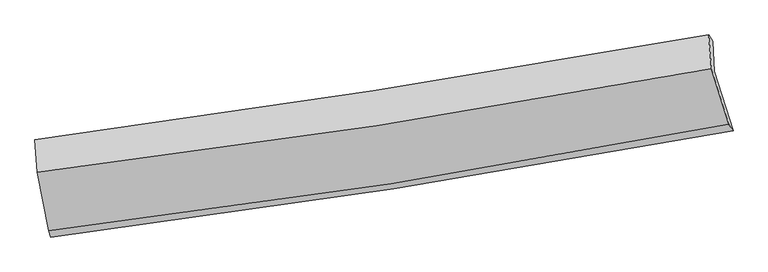
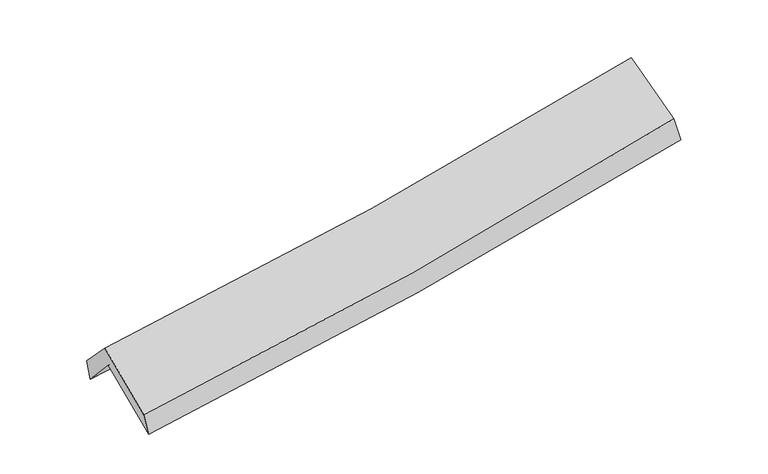
"""IFC4 building model written with IfcOpenShell, lengths in millimetres: proxy geometry."""

from ifc_helpers import new_model, si_unit, frame, origin, place, context, project, spatial, source, transform, mapped, element, save
from ifc_brep_helpers import plane_surface, spline_curve, spline_surface, advanced_brep


def generic_models_98ded858(model_context):
    return source(origin(), model_context, "Body", "AdvancedBrep", [
        advanced_brep(
        [(-2750.4606784, -2521.7720718, 1455.5610835), (-2848.8252199, -2016.3331725, 1889.0035901), (2774.1817061, -1140.3064016, 2385.8787259), (2930.5058814, -1637.1677033, 1956.557635), (-2867.7811095, -1742.8597551, 1588.6524775), (2760.1101673, -891.771107, 2077.3979769), (-2883.5758642, -1711.768318, 1767.4152885), (2727.4473845, -838.4556701, 2253.1122922), (-2863.9147111, -1982.1238256, 2049.9596027), (2750.1133937, -1120.3832962, 2548.3375269), (-2768.8906885, -2470.3977164, 1631.237064), (2895.7244177, -1583.1938806, 2148.4385123)],
        [
            (0, 1),
            (1, 2, spline_curve(3, [(-2848.8252199, -2016.3331725, 1889.0035901), (-1903.149516773, -1896.803416511, 1939.153814212), (-961.031802779, -1763.907080326, 2005.721688429), (913.282603919, -1471.818379409, 2171.444721168), (1845.500531741, -1312.705791862, 2270.50189201), (2774.1817061, -1140.3064016, 2385.8787259)], [4, 2, 4], [0.0, 9.435527933180392, 18.842856203522793])),
            (2, 3),
            (3, 0, spline_curve(3, [(2930.5058814, -1637.1677033, 1956.557635), (1991.377876209, -1811.138004495, 1849.147969962), (1049.113192251, -1971.749884869, 1753.73792096), (-844.523494465, -2266.698214702, 1586.667021659), (-1795.914330381, -2400.954457144, 1515.078220386), (-2750.4606784, -2521.7720718, 1455.5610835)], [4, 2, 4], [0.0, 9.4073282703424, 18.842856203522793])),
            (1, 4),
            (4, 5, spline_curve(3, [(-2867.7811095, -1742.8597551, 1588.6524775), (-1921.48437918, -1626.579095506, 1633.892035918), (-978.648367543, -1497.389278127, 1697.328752959), (897.294736424, -1213.616015169, 1860.352527268), (1830.422483843, -1059.109616197, 1959.830976744), (2760.1101673, -891.771107, 2077.3979769)], [4, 2, 4], [0.0, 9.388105132138506, 18.748152332459235])),
            (5, 2),
            (4, 6),
            (6, 7, spline_curve(3, [(-2883.5758642, -1711.768318, 1767.4152885), (-1941.355143505, -1584.591574577, 1815.067254292), (-1001.963966219, -1448.104321379, 1879.453567682), (868.360228793, -1156.944536567, 2041.452446374), (1799.310134598, -1002.327573844, 2138.965134229), (2727.4473845, -838.4556701, 2253.1122922)], [4, 2, 4], [0.0, 9.377008553529766, 18.725992339234022])),
            (7, 5),
            (6, 8),
            (8, 9, spline_curve(3, [(-2863.9147111, -1982.1238256, 2049.9596027), (-1920.368726575, -1867.804538793, 2111.130708871), (-980.06475453, -1738.703624775, 2183.326384905), (891.258597195, -1451.36855881, 2349.518158788), (1822.297326859, -1293.222629672, 2443.448457446), (2750.1133937, -1120.3832962, 2548.3375269)], [4, 2, 4], [0.0, 9.367246203272677, 18.70649681514619])),
            (9, 7),
            (8, 10),
            (10, 11, spline_curve(3, [(-2768.8906885, -2470.3977164, 1631.237064), (-1815.418682529, -2356.372531309, 1691.620663948), (-865.930916267, -2225.290149689, 1764.996501979), (1022.250339291, -1929.453733566, 1937.474527495), (1960.967608685, -1764.801503231, 2036.499172616), (2895.7244177, -1583.1938806, 2148.4385123)], [4, 2, 4], [0.0, 9.414962521024597, 18.80178684240574])),
            (11, 9),
            (10, 0),
            (3, 11),
        ],
        [
            spline_surface(3, 3, [[(-2750.4606784, -2521.7720718, 1455.5610835), (-1795.914330304, -2400.954457282, 1515.078220259), (-844.523494378, -2266.698214792, 1586.667021772), (1049.113192165, -1971.74988478, 1753.737920848), (1991.377876207, -1811.138004462, 1849.147969835), (2930.5058814, -1637.1677033, 1956.557635)], [(-2783.248858891, -2353.292438683, 1600.041919029), (-1831.659392457, -2232.904110302, 1656.436751598), (-883.359597132, -2099.101169951, 1726.351910698), (1003.836329385, -1805.106049679, 1892.973520894), (1942.752094717, -1644.993933623, 1989.599277215), (2878.397822977, -1471.54726939, 2099.664665291)], [(-2816.037039409, -2184.812805617, 1744.522754571), (-1867.404454638, -2064.853763373, 1797.795282949), (-922.195699909, -1931.504125104, 1866.036799654), (958.559466583, -1638.462214571, 2032.209120971), (1894.126313197, -1478.849862816, 2130.050584621), (2826.289764523, -1305.92683551, 2242.771695609)], [(-2848.8252199, -2016.3331725, 1889.0035901), (-1903.149516792, -1896.803416393, 1939.153814288), (-961.031802663, -1763.907080264, 2005.72168858), (913.282603803, -1471.818379471, 2171.444721017), (1845.500531708, -1312.705791977, 2270.501892001), (2774.1817061, -1140.3064016, 2385.8787259)]], [4, 4], [4, 2, 4], [0.0, 2.182000382750803], [0.0, 9.435527933180392, 18.842856203522793]),
            spline_surface(3, 3, [[(-2848.8252199, -2016.3331725, 1889.0035901), (-1903.149516792, -1896.803416393, 1939.153814288), (-961.031802663, -1763.907080264, 2005.72168858), (913.282603803, -1471.818379471, 2171.444721017), (1845.500531708, -1312.705791977, 2270.501892001), (2774.1817061, -1140.3064016, 2385.8787259)], [(-2855.143849771, -1925.175366697, 1788.886552565), (-1909.261137546, -1806.728642753, 1837.399888154), (-966.903990946, -1675.067812899, 1902.924043346), (907.953314684, -1385.750924668, 2067.747323121), (1840.474515765, -1228.173733435, 2166.944920268), (2769.491193174, -1057.461303403, 2283.051809553)], [(-2861.462479629, -1834.017560903, 1688.769515035), (-1915.372758287, -1716.653869122, 1735.645962026), (-972.776179255, -1586.228545566, 1800.126398123), (902.624025539, -1299.683469897, 1964.049925236), (1835.448499802, -1143.641674884, 2063.387948575), (2764.800680226, -974.616205197, 2180.224893247)], [(-2867.7811095, -1742.8597551, 1588.6524775), (-1921.484379042, -1626.579095482, 1633.892035892), (-978.648367539, -1497.389278201, 1697.328752888), (897.294736419, -1213.616015095, 1860.352527339), (1830.42248386, -1059.109616342, 1959.830976842), (2760.1101673, -891.771107, 2077.3979769)]], [4, 4], [4, 2, 4], [0.0, 1.332924476174504], [0.0, 9.388105132138506, 18.748152332459235]),
            spline_surface(3, 3, [[(-2867.7811095, -1742.8597551, 1588.6524775), (-1921.484379042, -1626.579095482, 1633.892035892), (-978.648367539, -1497.389278201, 1697.328752888), (897.294736419, -1213.616015095, 1860.352527339), (1830.42248386, -1059.109616342, 1959.830976842), (2760.1101673, -891.771107, 2077.3979769)], [(-2873.04602774, -1732.495942753, 1648.240081177), (-1928.107967165, -1612.583255199, 1694.283775411), (-986.420233771, -1480.960959266, 1758.037024518), (887.64990055, -1194.725522239, 1920.719167007), (1820.051700761, -1040.182268822, 2019.542362651), (2749.222573042, -873.999294705, 2135.969415337)], [(-2878.31094596, -1722.132130347, 1707.827684823), (-1934.731555269, -1598.587414856, 1754.6755149), (-994.192100006, -1464.532640343, 1818.745296116), (878.00506468, -1175.835029395, 1981.085806642), (1809.680917636, -1021.254921287, 2079.253748451), (2738.334978758, -856.227482395, 2194.540853763)], [(-2883.5758642, -1711.768318, 1767.4152885), (-1941.355143393, -1584.591574573, 1815.067254419), (-1001.963966238, -1448.104321408, 1879.453567747), (868.360228811, -1156.944536539, 2041.45244631), (1799.310134537, -1002.327573767, 2138.96513426), (2727.4473845, -838.4556701, 2253.1122922)]], [4, 4], [4, 2, 4], [0.0, 0.6265562641799735], [0.0, 9.377008553529766, 18.725992339234022]),
            spline_surface(3, 3, [[(-2883.5758642, -1711.768318, 1767.4152885), (-1941.355143393, -1584.591574573, 1815.067254419), (-1001.963966238, -1448.104321408, 1879.453567747), (868.360228811, -1156.944536539, 2041.45244631), (1799.310134537, -1002.327573767, 2138.96513426), (2727.4473845, -838.4556701, 2253.1122922)], [(-2877.022146498, -1801.88682052, 1861.596726565), (-1934.359671164, -1678.995895974, 1913.755072584), (-994.664229061, -1544.97075583, 1980.744506815), (875.993018294, -1255.085877299, 2144.141017132), (1806.97253197, -1099.292592457, 2240.459575356), (2735.0027209, -932.431545474, 2351.520703791)], [(-2870.468428802, -1892.00532308, 1955.778164635), (-1927.364198942, -1773.400217416, 2012.442890756), (-987.364491828, -1641.837190298, 2082.035445865), (883.625807833, -1353.227218104, 2246.829587937), (1814.634929405, -1196.257611124, 2341.954016379), (2742.5580573, -1026.407420826, 2449.929115309)], [(-2863.9147111, -1982.1238256, 2049.9596027), (-1920.368726713, -1867.804538817, 2111.130708921), (-980.064754651, -1738.703624721, 2183.326384933), (891.258597316, -1451.368558864, 2349.51815876), (1822.297326838, -1293.222629814, 2443.448457475), (2750.1133937, -1120.3832962, 2548.3375269)]], [4, 4], [4, 2, 4], [0.0, 1.3906840201718114], [0.0, 9.367246203272677, 18.70649681514619]),
            spline_surface(3, 3, [[(-2863.9147111, -1982.1238256, 2049.9596027), (-1920.368726713, -1867.804538817, 2111.130708921), (-980.064754651, -1738.703624721, 2183.326384933), (891.258597316, -1451.368558864, 2349.51815876), (1822.297326838, -1293.222629814, 2443.448457475), (2750.1133937, -1120.3832962, 2548.3375269)], [(-2832.24003691, -2144.881789195, 1910.385423114), (-1885.38537864, -2030.660536304, 1971.294027275), (-942.020141892, -1900.899133056, 2043.883090566), (934.92251137, -1610.730283765, 2212.170281686), (1868.52075414, -1450.415587604, 2307.798695802), (2798.65040169, -1274.653491008, 2415.037855355)], [(-2800.56536269, -2307.639752805, 1770.811243586), (-1850.402030537, -2193.516533806, 1831.457345689), (-903.975529173, -2063.094641372, 1904.439796251), (978.586425384, -1770.092008646, 2074.822404664), (1914.744181471, -1607.608545371, 2172.148934166), (2847.18740971, -1428.923685792, 2281.738183845)], [(-2768.8906885, -2470.3977164, 1631.237064), (-1815.418682464, -2356.372531293, 1691.620664043), (-865.930916415, -2225.290149708, 1764.996501883), (1022.250339438, -1929.453733547, 1937.47452759), (1960.967608773, -1764.801503161, 2036.499172494), (2895.7244177, -1583.1938806, 2148.4385123)]], [4, 4], [4, 2, 4], [0.0, 2.126387807738233], [0.0, 9.414962521024597, 18.80178684240574]),
            spline_surface(3, 3, [[(-2768.8906885, -2470.3977164, 1631.237064), (-1815.418682464, -2356.372531293, 1691.620664043), (-865.930916415, -2225.290149708, 1764.996501883), (1022.250339438, -1929.453733547, 1937.47452759), (1960.967608773, -1764.801503161, 2036.499172494), (2895.7244177, -1583.1938806, 2148.4385123)], [(-2762.74735179, -2487.522501552, 1572.678403851), (-1808.917231734, -2371.233173307, 1632.773182799), (-858.795109081, -2239.09283809, 1705.553341861), (1031.204623668, -1943.552450645, 1876.228992025), (1971.104364569, -1780.247003581, 1974.048771614), (2907.318238918, -1601.18515482, 2084.478219873)], [(-2756.60401511, -2504.647286648, 1514.119743649), (-1802.415781034, -2386.093815267, 1573.925701502), (-851.659301712, -2252.89552641, 1646.110181794), (1040.158907934, -1957.651167682, 1814.983456414), (1981.241120411, -1795.692504041, 1911.598370715), (2918.912060182, -1619.17642908, 2020.517927427)], [(-2750.4606784, -2521.7720718, 1455.5610835), (-1795.914330304, -2400.954457282, 1515.078220259), (-844.523494378, -2266.698214792, 1586.667021772), (1049.113192165, -1971.74988478, 1753.737920848), (1991.377876207, -1811.138004462, 1849.147969835), (2930.5058814, -1637.1677033, 1956.557635)]], [4, 4], [4, 2, 4], [0.0, 0.6146969933160213], [0.0, 9.47208250634273, 18.915856100354947]),
            plane_surface(frame((2806.3471585, -1201.8796765, 2228.2871115), z_axis=(0.9719337648449167, 0.20287143397166746, 0.11911313123524987), x_axis=(0.23159137077025532, -0.7360908173784049, -0.6360312457387184))),
            plane_surface(frame((-2830.5747119, -2074.2091432, 1730.3048511), z_axis=(-0.9883985430501745, -0.13805409166361776, -0.06331972734642843), x_axis=(-0.10018523580202772, 0.27927016204881516, 0.954971777130885))),
        ],
        [
            (0, [[1, 2, 3, 4]]),
            (1, [[5, 6, 7, -2]]),
            (2, [[8, 9, 10, -6]]),
            (3, [[11, 12, 13, -9]]),
            (4, [[14, 15, 16, -12]]),
            (5, [[17, -4, 18, -15]]),
            (6, [[-16, -18, -3, -7, -10, -13]]),
            (7, [[-17, -14, -11, -8, -5, -1]]),
        ],
    ),
    ])


if __name__ == "__main__":
    model = new_model("IFC4")
    model_context = context("Model", 3, world=origin())
    ifc_project = project(units=[si_unit("LENGTHUNIT", "METRE", prefix="MILLI")], contexts=[model_context])
    site = spatial("IfcSite", under=ifc_project)
    building = spatial("IfcBuilding", under=site)
    placement = place(None, origin())
    generic_models_shape = generic_models_98ded858(model_context)
    element("IfcBuildingElementProxy", 1, Name="Generic Models", at=placement, inside=building, context=model_context, shape_type="MappedRepresentation", body=[
        mapped(generic_models_shape, transform((0.0, 0.0, 0.0), x_axis=(1.0, 0.0, 0.0), y_axis=(0.0, 1.0, 0.0), z_axis=(0.0, 0.0, 1.0))),
    ])
    save(model, "model.ifc")
